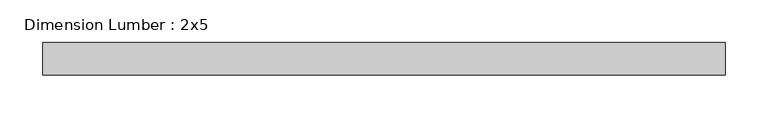
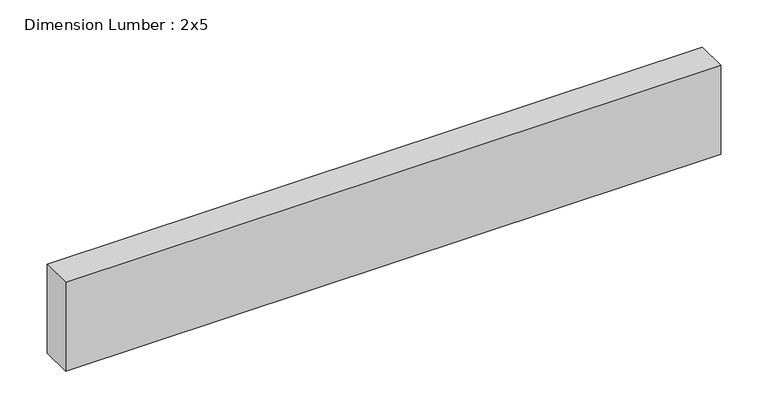
"""IFC4 building model written with IfcOpenShell, lengths in millimetres: beam geometry, Dimension Lumber : 2x5."""

from ifc_helpers import new_model, si_unit, frame, origin, place, context, project, spatial, polyline, outline, extrude, source, transform, mapped, element, save


def dimension_lumber_2x5_d6077bb4(model_context):
    return source(origin(), model_context, "Body", "SweptSolid", [
        extrude(outline(polyline([(398.3478793, 19.05), (398.3478793, -19.05), (-398.3478793, -19.05), (-398.3478793, 19.05), (398.3478793, 19.05)])), frame((0.0, 0.0, -57.15), z_axis=(0.0, 0.0, 1.0), x_axis=(1.0, 0.0, 0.0)), (0.0, 0.0, 1.0), 114.3),
    ])


if __name__ == "__main__":
    model = new_model("IFC4")
    model_context = context("Model", 3, world=origin())
    ifc_project = project(units=[si_unit("LENGTHUNIT", "METRE", prefix="MILLI")], contexts=[model_context])
    site = spatial("IfcSite", under=ifc_project)
    building = spatial("IfcBuilding", under=site)
    placement = place(None, origin())
    dimension_lumber_2x5_shape = dimension_lumber_2x5_d6077bb4(model_context)
    element("IfcBeam", 1, ObjectType="Dimension Lumber : 2x5", at=placement, inside=building, context=model_context, shape_type="MappedRepresentation", body=[
        mapped(dimension_lumber_2x5_shape, transform((0.0, 0.0, 0.0), x_axis=(1.0, 0.0, 0.0), y_axis=(0.0, 1.0, 0.0), z_axis=(0.0, 0.0, 1.0))),
    ])
    save(model, "model.ifc")
